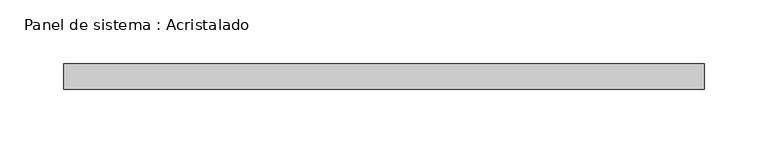
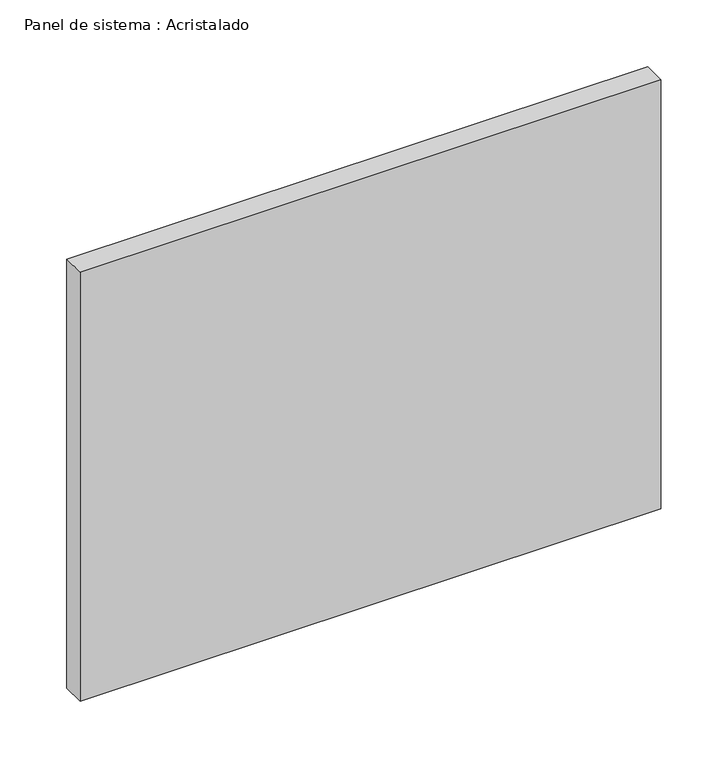
"""IFC4 building model written with IfcOpenShell, lengths in millimetres: plate geometry, Panel de sistema : Acristalado."""

from ifc_helpers import new_model, si_unit, origin, origin_with_axes, place, context, project, spatial, polyline, outline, extrude, source, transform, mapped, element, save


def panel_de_sistema_acristalado_2db41908(model_context):
    return source(origin(), model_context, "Body", "SweptSolid", [
        extrude(outline(polyline([(251.5, -10.0), (-251.5, -10.0), (-251.5, 10.0), (251.5, 10.0), (251.5, -10.0)])), origin_with_axes(), (0.0, 0.0, 1.0), 392.7452144),
    ])


if __name__ == "__main__":
    model = new_model("IFC4")
    model_context = context("Model", 3, world=origin())
    ifc_project = project(units=[si_unit("LENGTHUNIT", "METRE", prefix="MILLI")], contexts=[model_context])
    site = spatial("IfcSite", under=ifc_project)
    building = spatial("IfcBuilding", under=site)
    placement = place(None, origin())
    panel_de_sistema_acristalado_shape = panel_de_sistema_acristalado_2db41908(model_context)
    element("IfcPlate", 1, ObjectType="Panel de sistema : Acristalado", at=placement, inside=building, context=model_context, shape_type="MappedRepresentation", body=[
        mapped(panel_de_sistema_acristalado_shape, transform((0.0, 0.0, 0.0), x_axis=(1.0, 0.0, 0.0), y_axis=(0.0, 1.0, 0.0), z_axis=(0.0, 0.0, 1.0))),
    ])
    save(model, "model.ifc")
